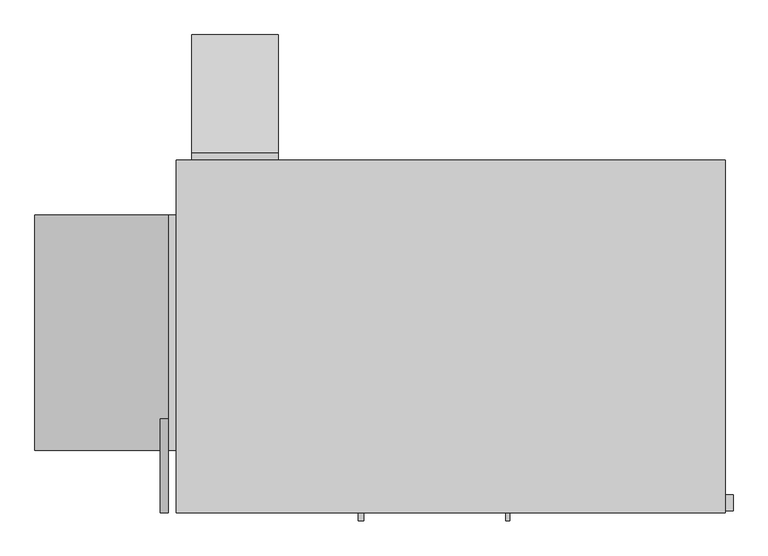
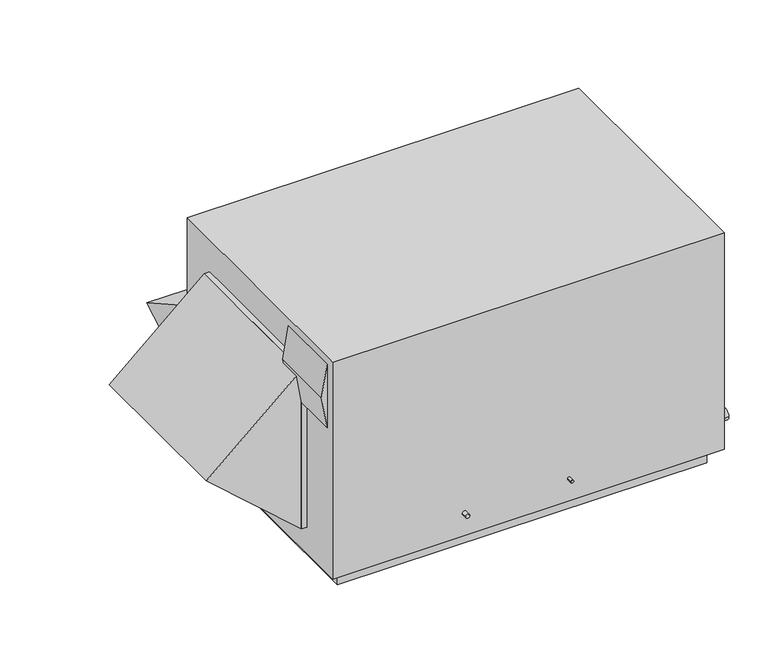
"""IFC4 building model written with IfcOpenShell, lengths in millimetres: proxy geometry."""

from ifc_helpers import new_model, si_unit, frame, origin, place, context, project, spatial, polyline, circle_curve, outline, extrude, source, transform, mapped, element, save
from ifc_brep_helpers import plane_surface, cylinder_surface, advanced_brep


def mechanical_equipment_4b76dc62(model_context):
    return source(origin(), model_context, "Body", "SolidModel", [
        extrude(outline(polyline([(736.6, -1803.4), (1041.4, -1803.4), (889.0, -1828.8), (736.6, -1803.4)])), frame((0.0, 0.0, 0.0), z_axis=(0.0, 1.0, 0.0), x_axis=(0.0, 0.0, 1.0)), (0.0, 0.0, 1.0), 304.8),
        extrude(outline(polyline([(127.0, -1803.4), (889.0, -1803.4), (508.0, -2235.2), (127.0, -1803.4)])), frame((0.0, 203.2, 0.0), z_axis=(0.0, 1.0, 0.0), x_axis=(0.0, 0.0, 1.0)), (0.0, 0.0, 1.0), 762.0),
        extrude(outline(polyline([(-1803.4, 203.2), (-1803.4, 965.2), (-1778.0, 965.2), (-1778.0, 203.2), (-1803.4, 203.2)])), frame((0.0, 0.0, 127.0), z_axis=(0.0, 0.0, 1.0), x_axis=(1.0, 0.0, 0.0)), (0.0, 0.0, 1.0), 762.0),
        extrude(outline(polyline([(1168.4, 152.4), (1168.4, 584.2), (1549.4, 368.3), (1168.4, 152.4)])), frame((-1727.2, 0.0, 0.0), z_axis=(1.0, 0.0, 0.0), x_axis=(0.0, 1.0, 0.0)), (0.0, 0.0, 1.0), 279.4),
        extrude(outline(polyline([(-1727.2, 1168.4), (-1447.8, 1168.4), (-1447.8, 1143.0), (-1727.2, 1143.0), (-1727.2, 1168.4)])), frame((0.0, 0.0, 152.4), z_axis=(0.0, 0.0, 1.0), x_axis=(1.0, 0.0, 0.0)), (0.0, 0.0, 1.0), 431.8),
        extrude(outline(polyline([(-50.8, 1092.2), (-50.8, 50.8), (-1727.2, 50.8), (-1727.2, 1092.2), (-50.8, 1092.2)])), frame((0.0, 0.0, -76.2), z_axis=(0.0, 0.0, 1.0), x_axis=(1.0, 0.0, 0.0)), (0.0, 0.0, 1.0), 76.2),
        advanced_brep(
        [(0.0, 1143.0, 1041.4), (-1778.0, 1143.0, 1041.4), (-1778.0, 0.0, 1041.4), (0.0, 0.0, 1041.4), (0.0, 1143.0, 0.0), (0.0, 0.0, 0.0), (-1778.0, 0.0, 0.0), (-1778.0, 1143.0, 0.0), (-1320.8, 1041.4, 0.0), (-1676.4, 1041.4, 0.0), (-1676.4, 431.8, 0.0), (-1320.8, 431.8, 0.0), (-685.8, 1041.4, 0.0), (-1092.2, 1041.4, 0.0), (-1092.2, 584.2, 0.0), (-685.8, 584.2, 0.0), (-698.5, 0.0, 107.95), (-711.2, 0.0, 107.95), (-1169.9875, 0.0, 107.95), (-1189.0375, 0.0, 107.95), (0.0, 58.7375, 142.875), (0.0, 7.9375, 142.875), (-1320.8, 1041.4, 107.95), (-1320.8, 431.8, 107.95), (-1676.4, 431.8, 107.95), (-1676.4, 1041.4, 107.95), (-685.8, 1041.4, 107.95), (-685.8, 584.2, 107.95), (-1092.2, 584.2, 107.95), (-1092.2, 1041.4, 107.95), (-711.2, -25.5724411, 107.95), (-698.5, -25.5724411, 107.95), (25.4, 7.9375, 142.875), (25.4, 58.7375, 142.875), (-1189.0375, -25.5724411, 107.95), (-1169.9875, -25.5724411, 107.95)],
        [
            (0, 1),
            (1, 2),
            (2, 3),
            (3, 0),
            (4, 5),
            (5, 6),
            (6, 7),
            (7, 4),
            (8, 9),
            (9, 10),
            (10, 11),
            (11, 8),
            (12, 13),
            (13, 14),
            (14, 15),
            (15, 12),
            (0, 4),
            (7, 1),
            (6, 2),
            (5, 3),
            (16, 17, circle_curve(frame((-704.85, 0.0, 107.95), z_axis=(0.0, 1.0, 0.0), x_axis=(1.0, 0.0, 0.0)), 6.35)),
            (17, 16, circle_curve(frame((-704.85, 0.0, 107.95), z_axis=(0.0, 1.0, 0.0), x_axis=(1.0, 0.0, 0.0)), 6.35)),
            (18, 19, circle_curve(frame((-1179.5125, 0.0, 107.95), z_axis=(0.0, 1.0, 0.0), x_axis=(1.0, 0.0, 0.0)), 9.525)),
            (19, 18, circle_curve(frame((-1179.5125, 0.0, 107.95), z_axis=(0.0, 1.0, 0.0), x_axis=(1.0, 0.0, 0.0)), 9.525)),
            (20, 21, circle_curve(frame((0.0, 33.3375, 142.875), z_axis=(-1.0, 0.0, 0.0), x_axis=(0.0, 1.0, 0.0)), 25.4)),
            (21, 20, circle_curve(frame((0.0, 33.3375, 142.875), z_axis=(-1.0, 0.0, 0.0), x_axis=(0.0, 1.0, 0.0)), 25.4)),
            (22, 23),
            (23, 24),
            (24, 25),
            (25, 22),
            (26, 27),
            (27, 28),
            (28, 29),
            (29, 26),
            (25, 9),
            (8, 22),
            (24, 10),
            (23, 11),
            (29, 13),
            (12, 26),
            (28, 14),
            (27, 15),
            (30, 31, circle_curve(frame((-704.85, -25.5724411, 107.95), z_axis=(0.0, -1.0, 0.0), x_axis=(1.0, 0.0, 0.0)), 6.35)),
            (31, 30, circle_curve(frame((-704.85, -25.5724411, 107.95), z_axis=(0.0, -1.0, 0.0), x_axis=(1.0, 0.0, 0.0)), 6.35)),
            (30, 17),
            (16, 31),
            (32, 33, circle_curve(frame((25.4, 33.3375, 142.875), z_axis=(1.0, 0.0, 0.0), x_axis=(0.0, 1.0, 0.0)), 25.4)),
            (33, 32, circle_curve(frame((25.4, 33.3375, 142.875), z_axis=(1.0, 0.0, 0.0), x_axis=(0.0, 1.0, 0.0)), 25.4)),
            (32, 21),
            (20, 33),
            (34, 35, circle_curve(frame((-1179.5125, -25.5724411, 107.95), z_axis=(0.0, -1.0, 0.0), x_axis=(1.0, 0.0, 0.0)), 9.525)),
            (35, 34, circle_curve(frame((-1179.5125, -25.5724411, 107.95), z_axis=(0.0, -1.0, 0.0), x_axis=(1.0, 0.0, 0.0)), 9.525)),
            (34, 19),
            (18, 35),
        ],
        [
            plane_surface(frame((-1778.0, 1143.0, 1041.4), z_axis=(0.0, 0.0, 1.0), x_axis=(-1.0, 0.0, 0.0))),
            plane_surface(frame((-1778.0, 1143.0, 0.0), z_axis=(0.0, 0.0, -1.0), x_axis=(1.0, 0.0, 0.0))),
            plane_surface(frame((0.0, 1143.0, 1041.4), z_axis=(0.0, 1.0, 0.0), x_axis=(0.0, 0.0, -1.0))),
            plane_surface(frame((-1778.0, 1143.0, 1041.4), z_axis=(-1.0, 0.0, 0.0), x_axis=(0.0, 0.0, -1.0))),
            plane_surface(frame((-1778.0, 0.0, 1041.4), z_axis=(0.0, -1.0, 0.0), x_axis=(0.0, 0.0, -1.0))),
            plane_surface(frame((0.0, 0.0, 1041.4), z_axis=(1.0, 0.0, 0.0), x_axis=(0.0, 0.0, -1.0))),
            plane_surface(frame((-1676.4, 1041.4, 107.95), z_axis=(0.0, 0.0, -1.0), x_axis=(-1.0, 0.0, 0.0))),
            plane_surface(frame((-1320.8, 1041.4, 107.95), z_axis=(0.0, -1.0, 0.0), x_axis=(0.0, 0.0, -1.0))),
            plane_surface(frame((-1676.4, 1041.4, 107.95), z_axis=(1.0, 0.0, 0.0), x_axis=(0.0, 0.0, -1.0))),
            plane_surface(frame((-1676.4, 431.8, 107.95), z_axis=(0.0, 1.0, 0.0), x_axis=(0.0, 0.0, -1.0))),
            plane_surface(frame((-1320.8, 431.8, 107.95), z_axis=(-1.0, 0.0, 0.0), x_axis=(0.0, 0.0, -1.0))),
            plane_surface(frame((-685.8, 1041.4, 107.95), z_axis=(0.0, -1.0, 0.0), x_axis=(0.0, 0.0, -1.0))),
            plane_surface(frame((-1092.2, 1041.4, 107.95), z_axis=(1.0, 0.0, 0.0), x_axis=(0.0, 0.0, -1.0))),
            plane_surface(frame((-1092.2, 584.2, 107.95), z_axis=(0.0, 1.0, 0.0), x_axis=(0.0, 0.0, -1.0))),
            plane_surface(frame((-685.8, 584.2, 107.95), z_axis=(-1.0, 0.0, 0.0), x_axis=(0.0, 0.0, -1.0))),
            plane_surface(frame((-698.5, -25.5724411, 107.95), z_axis=(0.0, -1.0, 0.0), x_axis=(0.0, 0.0, 1.0))),
            cylinder_surface(frame((-704.85, 0.0, 107.95), z_axis=(0.0, -1.0, 0.0), x_axis=(1.0, 0.0, 0.0)), 6.35),
            plane_surface(frame((25.4, 58.7375, 142.875), z_axis=(1.0, 0.0, 0.0), x_axis=(0.0, 0.0, 1.0))),
            cylinder_surface(frame((0.0, 33.3375, 142.875), z_axis=(1.0, 0.0, 0.0), x_axis=(0.0, 1.0, 0.0)), 25.4),
            plane_surface(frame((-1169.9875, -25.5724411, 107.95), z_axis=(0.0, -1.0, 0.0), x_axis=(0.0, 0.0, 1.0))),
            cylinder_surface(frame((-1179.5125, 0.0, 107.95), z_axis=(0.0, -1.0, 0.0), x_axis=(1.0, 0.0, 0.0)), 9.525),
        ],
        [
            (0, [[1, 2, 3, 4]]),
            (1, [[5, 6, 7, 8], [9, 10, 11, 12], [13, 14, 15, 16]]),
            (2, [[-1, 17, -8, 18]]),
            (3, [[-2, -18, -7, 19]]),
            (4, [[-3, -19, -6, 20], [21, 22], [23, 24]]),
            (5, [[-4, -20, -5, -17], [25, 26]]),
            (6, [[27, 28, 29, 30]]),
            (6, [[31, 32, 33, 34]]),
            (7, [[-30, 35, -9, 36]]),
            (8, [[-29, 37, -10, -35]]),
            (9, [[-28, 38, -11, -37]]),
            (10, [[-27, -36, -12, -38]]),
            (11, [[-34, 39, -13, 40]]),
            (12, [[-33, 41, -14, -39]]),
            (13, [[-32, 42, -15, -41]]),
            (14, [[-31, -40, -16, -42]]),
            (15, [[43, 44]]),
            (16, [[-43, 45, -21, 46]]),
            (16, [[-44, -46, -22, -45]]),
            (17, [[47, 48]]),
            (18, [[-47, 49, -25, 50]]),
            (18, [[-48, -50, -26, -49]]),
            (19, [[51, 52]]),
            (20, [[-51, 53, -23, 54]]),
            (20, [[-52, -54, -24, -53]]),
        ],
    ),
    ])


if __name__ == "__main__":
    model = new_model("IFC4")
    model_context = context("Model", 3, world=origin())
    ifc_project = project(units=[si_unit("LENGTHUNIT", "METRE", prefix="MILLI")], contexts=[model_context])
    site = spatial("IfcSite", under=ifc_project)
    building = spatial("IfcBuilding", under=site)
    placement = place(None, origin())
    mechanical_equipment_shape = mechanical_equipment_4b76dc62(model_context)
    element("IfcBuildingElementProxy", 1, Name="Mechanical Equipment", at=placement, inside=building, context=model_context, shape_type="MappedRepresentation", body=[
        mapped(mechanical_equipment_shape, transform((0.0, 0.0, 0.0), x_axis=(1.0, 0.0, 0.0), y_axis=(0.0, 1.0, 0.0), z_axis=(0.0, 0.0, 1.0))),
    ])
    save(model, "model.ifc")
